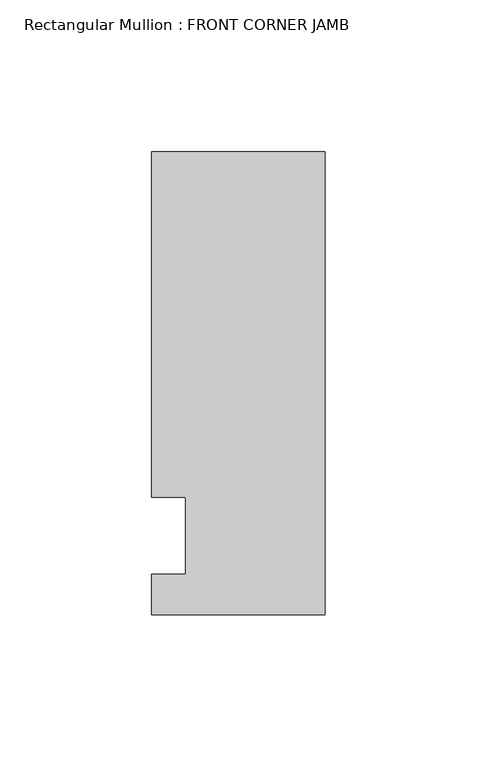
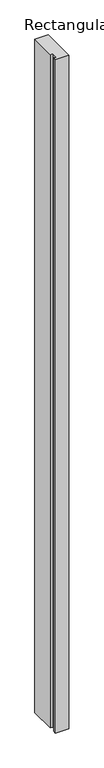
"""IFC4 building model written with IfcOpenShell, lengths in millimetres: member geometry, Rectangular Mullion : FRONT CORNER JAMB."""

from ifc_helpers import new_model, si_unit, frame, origin, place, context, project, spatial, polyline, outline, extrude, source, transform, mapped, element, save


def rectangular_mullion_front_corner_jamb_6538b046(model_context):
    return source(origin(), model_context, "Body", "SweptSolid", [
        extrude(outline(polyline([(-57.15, -13.3945312), (-57.15, -0.1992312), (-46.0375, -0.1992312), (-46.0375, 25.2007688), (-57.15, 25.2007688), (-57.15, 139.0054688), (0.0, 139.0054688), (0.0, -13.3945312), (-57.15, -13.3945312)])), frame((0.0, 0.0, -3048.0), z_axis=(0.0, 0.0, 1.0), x_axis=(1.0, 0.0, 0.0)), (0.0, 0.0, 1.0), 3048.0),
    ])


if __name__ == "__main__":
    model = new_model("IFC4")
    model_context = context("Model", 3, world=origin())
    ifc_project = project(units=[si_unit("LENGTHUNIT", "METRE", prefix="MILLI")], contexts=[model_context])
    site = spatial("IfcSite", under=ifc_project)
    building = spatial("IfcBuilding", under=site)
    placement = place(None, origin())
    rectangular_mullion_front_corner_jamb_shape = rectangular_mullion_front_corner_jamb_6538b046(model_context)
    element("IfcMember", 1, ObjectType="Rectangular Mullion : FRONT CORNER JAMB", at=placement, inside=building, context=model_context, shape_type="MappedRepresentation", body=[
        mapped(rectangular_mullion_front_corner_jamb_shape, transform((0.0, 0.0, 0.0), x_axis=(1.0, 0.0, 0.0), y_axis=(0.0, 1.0, 0.0), z_axis=(0.0, 0.0, 1.0))),
    ])
    save(model, "model.ifc")
